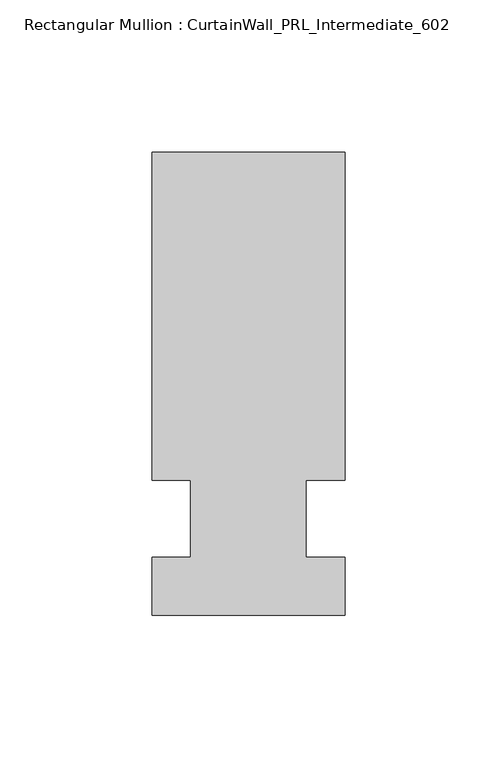
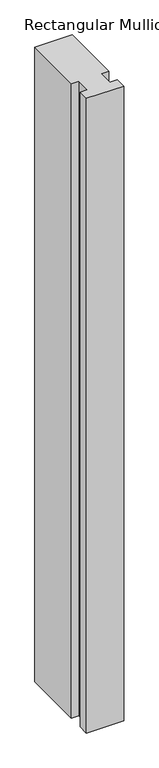
"""IFC4 building model written with IfcOpenShell, lengths in millimetres: member geometry, Rectangular Mullion : CurtainWall_PRL_Intermediate_602."""

from ifc_helpers import new_model, si_unit, frame, origin, place, context, project, spatial, polyline, outline, extrude, source, transform, mapped, element, save


def rectangular_mullion_curtainwall_prl_intermediate_602_00b2506e(model_context):
    return source(origin(), model_context, "Body", "SweptSolid", [
        extrude(outline(polyline([(-19.05, 12.7), (-31.75, 12.7), (-31.75, 120.65), (31.75, 120.65), (31.75, 12.7), (19.05, 12.7), (19.05, -12.7), (31.75, -12.7), (31.75, -31.75), (-31.75, -31.75), (-31.75, -12.7), (-19.05, -12.7), (-19.05, 12.7)])), frame((0.0, 0.0, -1145.069243), z_axis=(0.0, 0.0, 1.0), x_axis=(1.0, 0.0, 0.0)), (0.0, 0.0, 1.0), 1145.069243),
    ])


if __name__ == "__main__":
    model = new_model("IFC4")
    model_context = context("Model", 3, world=origin())
    ifc_project = project(units=[si_unit("LENGTHUNIT", "METRE", prefix="MILLI")], contexts=[model_context])
    site = spatial("IfcSite", under=ifc_project)
    building = spatial("IfcBuilding", under=site)
    placement = place(None, origin())
    rectangular_mullion_curtainwall_prl_intermediate_602_shape = rectangular_mullion_curtainwall_prl_intermediate_602_00b2506e(model_context)
    element("IfcMember", 1, ObjectType="Rectangular Mullion : CurtainWall_PRL_Intermediate_602", at=placement, inside=building, context=model_context, shape_type="MappedRepresentation", body=[
        mapped(rectangular_mullion_curtainwall_prl_intermediate_602_shape, transform((0.0, 0.0, 0.0), x_axis=(1.0, 0.0, 0.0), y_axis=(0.0, 1.0, 0.0), z_axis=(0.0, 0.0, 1.0))),
    ])
    save(model, "model.ifc")
